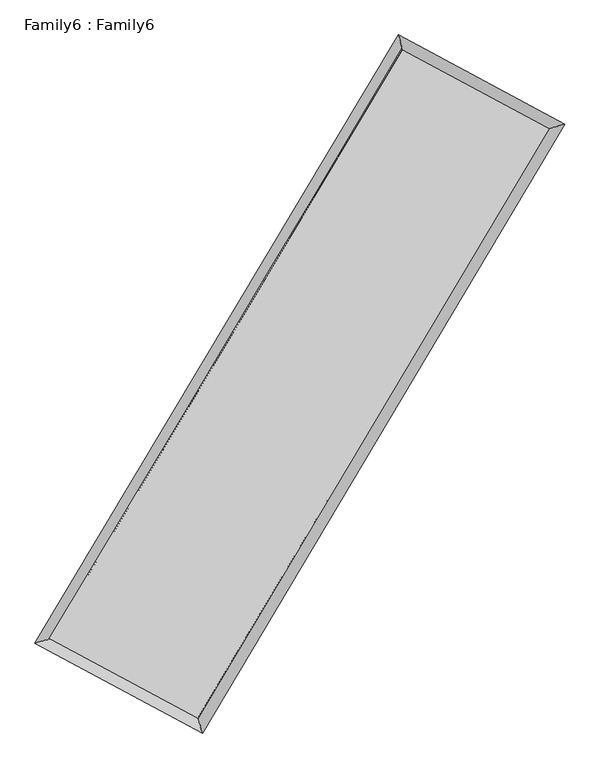
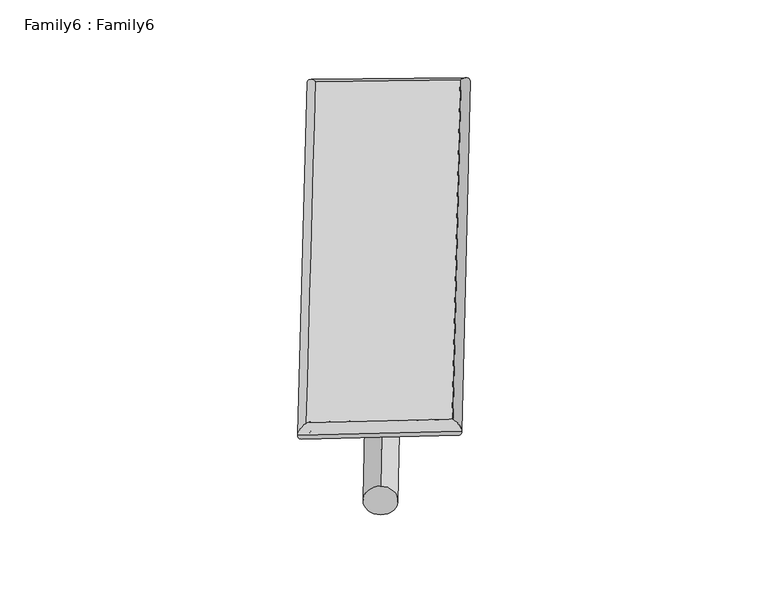
"""IFC4 building model written with IfcOpenShell, lengths in millimetres: plate geometry, Family6 : Family6."""

from ifc_helpers import new_model, si_unit, point, frame, origin, origin_2d, place, context, project, spatial, circle_curve, ellipse_curve, trimmed, segment, composite_curve, outline, extrude, source, transform, mapped, element, save
from ifc_brep_helpers import plane_surface, cylinder_surface, spline_surface, advanced_brep


def family6_family6_ef9036db(model_context):
    return source(origin(), model_context, "Body", "SolidModel", [
        extrude(outline(composite_curve([segment(trimmed(circle_curve(origin_2d(), 76.2), [point((-75.4341514, -10.7763073))], [point((75.4341514, 10.7763073))], False, "CARTESIAN"), True, "CONTINUOUS"), segment(trimmed(circle_curve(origin_2d(), 76.2), [point((75.4341514, 10.7763073))], [point((-75.4341514, -10.7763073))], False, "CARTESIAN"), True, "CONTINUOUS")], self_intersect=False)), frame((9144.0, 9144.0, 0.0), z_axis=(0.6741458969515844, 0.6877864177495556, 0.26921581153895424), x_axis=(-0.6794530994706407, 0.7204168200040668, -0.1390794415971243)), (0.0, 0.0, 1.0), 5617.2886859),
        extrude(outline(composite_curve([segment(trimmed(circle_curve(origin_2d(), 76.2), [point((-53.8815367, 53.8815367))], [point((53.8815367, -53.8815367))], False, "CARTESIAN"), True, "CONTINUOUS"), segment(trimmed(circle_curve(origin_2d(), 76.2), [point((53.8815367, -53.8815367))], [point((-53.8815367, 53.8815367))], False, "CARTESIAN"), True, "CONTINUOUS")], self_intersect=False)), frame((9144.0, 9144.0, 0.0), z_axis=(-0.6754240111960714, -0.6865536157798335, 0.2691589451596327), x_axis=(0.6384556393894649, -0.3617783072310397, 0.6793311806098944)), (0.0, 0.0, 1.0), 5618.9473337),
        extrude(outline(composite_curve([segment(trimmed(circle_curve(origin_2d(), 76.2), [point((-53.8815367, -53.8815367))], [point((53.8815367, 53.8815367))], False, "CARTESIAN"), True, "CONTINUOUS"), segment(trimmed(circle_curve(origin_2d(), 76.2), [point((53.8815367, 53.8815367))], [point((-53.8815367, -53.8815367))], False, "CARTESIAN"), True, "CONTINUOUS")], self_intersect=False)), frame((9144.0, 9144.0, 0.0), z_axis=(0.27981156866146584, 0.9189375515521393, 0.27795550433580063), x_axis=(-0.8394080866097293, 0.37468247293411827, -0.3937094215410231)), (0.0, 0.0, 1.0), 5513.3917257),
        extrude(outline(composite_curve([segment(trimmed(circle_curve(origin_2d(), 76.2), [point((-75.4341514, 10.7763074))], [point((75.4341514, -10.7763074))], False, "CARTESIAN"), True, "CONTINUOUS"), segment(trimmed(circle_curve(origin_2d(), 76.2), [point((75.4341514, -10.7763074))], [point((-75.4341514, 10.7763074))], False, "CARTESIAN"), True, "CONTINUOUS")], self_intersect=False)), frame((9144.0, 9144.0, 0.0), z_axis=(-0.2780153969399959, -0.9194969726106296, 0.2779078200126509), x_axis=(0.876955108115562, -0.12489589571591035, 0.4640589979553716)), (0.0, 0.0, 1.0), 5514.3408365),
        advanced_brep(
        [(5136.0719818, 5227.4613309, 1513.9920587), (5561.5988591, 5345.1415965, 1514.4155139), (5561.5841246, 5345.1214514, 1510.7878158), (10742.8531635, 14007.4572064, 1530.2860841), (10630.5684114, 14413.46818, 1534.6690713), (5136.0572473, 5227.4411858, 1510.3643606), (12718.3661886, 12948.496523, 1512.4913316), (13143.3780505, 13066.4932024, 1512.0345328), (7554.5275845, 4276.7332728, 1532.1136486), (7667.3291024, 3870.4273171, 1532.8432328)],
        [
            (0, 1, ellipse_curve(frame((5348.8280532, 5286.2913912, 1512.3899372), z_axis=(-0.2665404208839114, 0.9638142842479646, -0.004269603566007666), x_axis=(-0.9637934784008929, -0.2665645407282124, -0.006743635389359966)), 220.7695224, 152.4)),
            (1, 2, ellipse_curve(frame((5348.8280532, 5286.2913912, 1512.3899372), z_axis=(-0.2665404208839114, 0.9638142842479646, -0.004269603566007666), x_axis=(-0.9637934784008929, -0.2665645407282124, -0.006743635389359966)), 220.7695224, 152.4)),
            (2, 3),
            (3, 4, ellipse_curve(frame((10686.7107874, 14210.4626932, 1532.4775777), z_axis=(-0.9638011548583294, -0.26658976152215036, 0.0041512582807783594), x_axis=(0.2665566404271078, -0.96379273945093, -0.007149323456469541)), 210.6381366, 152.4)),
            (4, 0),
            (2, 5, ellipse_curve(frame((5348.8280532, 5286.2913912, 1512.3899372), z_axis=(-0.2665404208839114, 0.9638142842479646, -0.004269603566007666), x_axis=(-0.9637934784008929, -0.2665645407282124, -0.006743635389359966)), 220.7695224, 152.4)),
            (5, 0, ellipse_curve(frame((5348.8280532, 5286.2913912, 1512.3899372), z_axis=(-0.2665404208839114, 0.9638142842479646, -0.004269603566007666), x_axis=(-0.9637934784008929, -0.2665645407282124, -0.006743635389359966)), 220.7695224, 152.4)),
            (4, 3, ellipse_curve(frame((10686.7107874, 14210.4626932, 1532.4775777), z_axis=(-0.9638011548583294, -0.26658976152215036, 0.0041512582807783594), x_axis=(0.2665566404271078, -0.96379273945093, -0.007149323456469541)), 210.6381366, 152.4)),
            (3, 6),
            (6, 7, ellipse_curve(frame((12930.8721196, 13007.4948627, 1512.2629322), z_axis=(-0.26750616358437157, 0.9635463860564752, 0.004337552521588956), x_axis=(-0.9635250030455179, -0.26753100079986664, 0.0068360893174753)), 220.5479943, 152.4)),
            (7, 4),
            (7, 6, ellipse_curve(frame((12930.8721196, 13007.4948627, 1512.2629322), z_axis=(-0.26750616358437157, 0.9635463860564752, 0.004337552521588956), x_axis=(-0.9635250030455179, -0.26753100079986664, 0.0068360893174753)), 220.5479943, 152.4)),
            (6, 8),
            (8, 9, ellipse_curve(frame((7610.9283435, 4073.5802949, 1532.4784407), z_axis=(0.9635454970088663, 0.26751358618411947, 0.004068955744189722), x_axis=(-0.26748139777219665, 0.9635370894316544, -0.00706959230846142)), 210.8399141, 152.4)),
            (9, 7),
            (9, 8, ellipse_curve(frame((7610.9283435, 4073.5802949, 1532.4784407), z_axis=(0.9635454970088663, 0.26751358618411947, 0.004068955744189722), x_axis=(-0.26748139777219665, 0.9635370894316544, -0.00706959230846142)), 210.8399141, 152.4)),
            (8, 1),
            (5, 9),
        ],
        [
            cylinder_surface(frame((5348.8280532, 5286.2913912, 1512.3899372), z_axis=(-0.5133191123991038, -0.8581956404278659, -0.0019317340401395627), x_axis=(-0.8581422279698799, 0.5132589449418387, 0.01253682623639337)), 152.4),
            cylinder_surface(frame((10686.7107874, 14210.4626932, 1532.4775777), z_axis=(-0.8813314323212902, 0.4724318817421871, 0.007938735166231387), x_axis=(0.4724834472372542, 0.8813132678077028, 0.006805591297551798)), 152.4),
            cylinder_surface(frame((12930.8721196, 13007.4948627, 1512.2629322), z_axis=(0.5116346735186587, 0.8592008967628062, -0.0019441850337001468), x_axis=(0.8592029298166047, -0.5116346735186587, 0.0005350215120426096)), 152.4),
            cylinder_surface(frame((7610.9283435, 4073.5802949, 1532.4784407), z_axis=(0.8813115752938423, -0.47247079679522774, 0.007826456974203023), x_axis=(-0.47244405098968617, -0.8813459746171561, -0.005088389783640902)), 152.4),
        ],
        [
            (0, [[1, 2, 3, 4, 5]]),
            (0, [[6, 7, -5, 8, -3]]),
            (1, [[-4, 9, 10, 11]]),
            (1, [[-8, -11, 12, -9]]),
            (2, [[-10, 13, 14, 15]]),
            (2, [[-12, -15, 16, -13]]),
            (3, [[-14, 17, -1, -7, 18]]),
            (3, [[-16, -18, -6, -2, -17]]),
        ],
    ),
        extrude(outline(composite_curve([segment(trimmed(circle_curve(origin_2d(), 304.8), [point((0.0, -304.8))], [point((-1e-07, 304.8))], False, "CARTESIAN"), True, "CONTINUOUS"), segment(trimmed(circle_curve(origin_2d(), 304.8), [point((-1e-07, 304.8))], [point((0.0, -304.8))], False, "CARTESIAN"), True, "CONTINUOUS")], self_intersect=False)), frame((6479.11614, 4653.3057066, -0.001103), z_axis=(0.5103311898911331, 0.8599779512430861, 2.112194443384719e-07), x_axis=(-0.85997795124311, 0.5103311898911331, 5.795330546007569e-08)), (0.0, 0.0, 1.0), 10443.7428586),
        advanced_brep(
        [(5348.8280532, 5286.2913912, 1512.3899372), (7610.9283435, 4073.5802949, 1532.4784407), (7610.9278954, 4073.5816554, 1684.8784407), (5348.8276051, 5286.2927517, 1664.7899372), (12930.8721196, 13007.4948627, 1512.2629322), (12930.8716715, 13007.4962232, 1664.6629322), (10686.7107874, 14210.4626932, 1532.4775777), (10686.7103393, 14210.4640537, 1684.8775777)],
        [
            (0, 1),
            (1, 2),
            (2, 3),
            (3, 0),
            (1, 4),
            (4, 5),
            (5, 2),
            (4, 6),
            (6, 7),
            (7, 5),
            (6, 0),
            (3, 7),
        ],
        [
            plane_surface(frame((6479.8781983, 4679.935843, 1522.434189), z_axis=(-0.4724853123675481, -0.8813385442353966, 6.478615138089637e-06), x_axis=(0.881311575293842, -0.472470796795228, 0.007826456974203014))),
            plane_surface(frame((10270.9002315, 8540.5375788, 1522.3706864), z_axis=(0.8592025276296114, -0.5116356286113843, 7.093707145121005e-06), x_axis=(0.5116346735186589, 0.8592008967628061, -0.0019441850337001533))),
            plane_surface(frame((11808.7914535, 13608.9787779, 1522.370255), z_axis=(0.4724467242615374, 0.8813592302191922, -6.4789132569018255e-06), x_axis=(-0.88133143232129, 0.4724318817421875, 0.007938735166231387))),
            plane_surface(frame((8017.7694203, 9748.3770422, 1522.4337575), z_axis=(-0.8581972345844647, 0.5133200819187627, -7.10578869555817e-06), x_axis=(-0.513319112399104, -0.8581956404278656, -0.0019317340401395601))),
            spline_surface(1, 1, [[(7610.9278954, 4073.5816554, 1684.8784407), (5348.8276051, 5286.2927517, 1664.7899372)], [(12930.8716715, 13007.4962232, 1664.6629322), (10686.7103393, 14210.4640537, 1684.8775777)]], [2, 2], [2, 2], [0.0, 1.0], [0.0, 1.0]),
            spline_surface(1, 1, [[(10686.7107874, 14210.4626932, 1532.4775777), (5348.8280532, 5286.2913912, 1512.3899372)], [(12930.8721196, 13007.4948627, 1512.2629322), (7610.9283435, 4073.5802949, 1532.4784407)]], [2, 2], [2, 2], [0.0, 1.0], [0.0, 1.0]),
        ],
        [
            (0, [[1, 2, 3, 4]]),
            (1, [[5, 6, 7, -2]]),
            (2, [[8, 9, 10, -6]]),
            (3, [[11, -4, 12, -9]]),
            (4, [[-3, -7, -10, -12]]),
            (5, [[-11, -8, -5, -1]]),
        ],
    ),
    ])


if __name__ == "__main__":
    model = new_model("IFC4")
    model_context = context("Model", 3, world=origin())
    ifc_project = project(units=[si_unit("LENGTHUNIT", "METRE", prefix="MILLI")], contexts=[model_context])
    site = spatial("IfcSite", under=ifc_project)
    building = spatial("IfcBuilding", under=site)
    placement = place(None, origin())
    family6_family6_shape = family6_family6_ef9036db(model_context)
    element("IfcPlate", 1, ObjectType="Family6 : Family6", at=placement, inside=building, context=model_context, shape_type="MappedRepresentation", body=[
        mapped(family6_family6_shape, transform((0.0, 0.0, 0.0), x_axis=(1.0, 0.0, 0.0), y_axis=(0.0, 1.0, 0.0), z_axis=(0.0, 0.0, 1.0))),
    ])
    save(model, "model.ifc")
